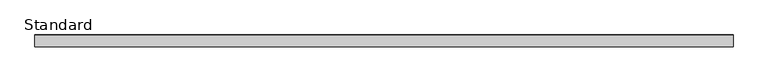
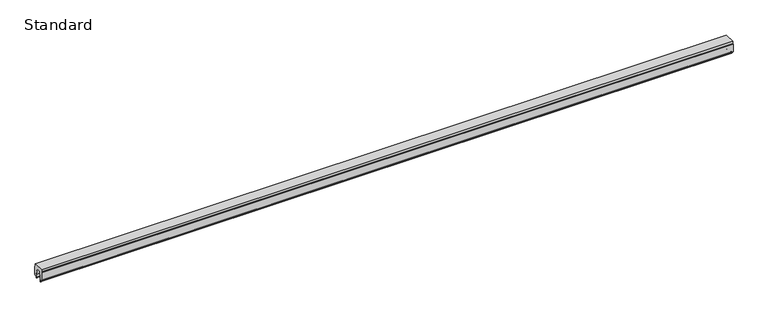
"""IFC4 building model written with IfcOpenShell, lengths in millimetres: plate geometry, Standard."""

from ifc_helpers import new_model, si_unit, point, frame, frame_2d, origin, place, context, project, spatial, polyline, circle_curve, trimmed, segment, composite_curve, outline, extrude, source, transform, mapped, element, save


def standard_73790497(model_context):
    return source(origin(), model_context, "Body", "SweptSolid", [
        extrude(outline(composite_curve([segment(polyline([(15.0999908, 16.0626976), (9.6833816, 43.1219347), (-9.6816688, 43.1219347), (-15.0982776, 16.0626976), (-15.0982776, 0.5554807)]), True, "CONTINUOUS"), segment(trimmed(circle_curve(frame_2d((-15.6732895, 0.5554807)), 0.575012), [point((-15.0982776, 0.5554807))], [point((-16.2483015, 0.5554807))], False, "CARTESIAN"), True, "CONTINUOUS"), segment(polyline([(-16.2483015, 0.5554807), (-16.2483015, 5.4757702)]), True, "CONTINUOUS"), segment(trimmed(circle_curve(frame_2d((-17.8983016, 5.4757702)), 1.6500001), [point((-16.2483015, 5.4757702))], [point((-17.899556, 7.1257699))], True, "CARTESIAN"), True, "CONTINUOUS"), segment(polyline([(-17.899556, 7.1257699), (-21.1415672, 7.1257699), (-25.4982867, 11.4793403), (-25.4982867, 46.1139758), (-24.2983017, 49.6326621), (-24.2983017, 58.85), (24.3000145, 58.85), (24.3000145, 49.6326621), (25.5, 46.1139758), (25.5, 11.4793403), (21.1432805, 7.1257699), (17.9000146, 7.1257699)]), True, "CONTINUOUS"), segment(trimmed(circle_curve(frame_2d((17.9000146, 5.47577)), 1.6499999), [point((17.9000146, 7.1257699))], [point((16.2500148, 5.47577))], True, "CARTESIAN"), True, "CONTINUOUS"), segment(polyline([(16.2500148, 5.47577), (16.2500148, 0.575012)]), True, "CONTINUOUS"), segment(trimmed(circle_curve(frame_2d((15.6750028, 0.575012)), 0.575012), [point((16.2500148, 0.575012))], [point((15.0999908, 0.575012))], False, "CARTESIAN"), True, "CONTINUOUS"), segment(polyline([(15.0999908, 0.575012), (15.0999908, 16.0626976)]), True, "CONTINUOUS")], self_intersect=False)), frame((-1498.85, 0.0, 0.0), z_axis=(1.0, 0.0, 0.0), x_axis=(0.0, 1.0, 0.0)), (0.0, 0.0, 1.0), 2997.7),
    ])


if __name__ == "__main__":
    model = new_model("IFC4")
    model_context = context("Model", 3, world=origin())
    ifc_project = project(units=[si_unit("LENGTHUNIT", "METRE", prefix="MILLI")], contexts=[model_context])
    site = spatial("IfcSite", under=ifc_project)
    building = spatial("IfcBuilding", under=site)
    placement = place(None, origin())
    standard_shape = standard_73790497(model_context)
    element("IfcPlate", 1, ObjectType="Standard", at=placement, inside=building, context=model_context, shape_type="MappedRepresentation", body=[
        mapped(standard_shape, transform((0.0, 0.0, 0.0), x_axis=(1.0, 0.0, 0.0), y_axis=(0.0, 1.0, 0.0), z_axis=(0.0, 0.0, 1.0))),
    ])
    save(model, "model.ifc")
